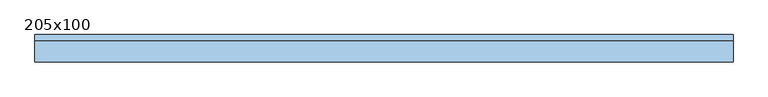
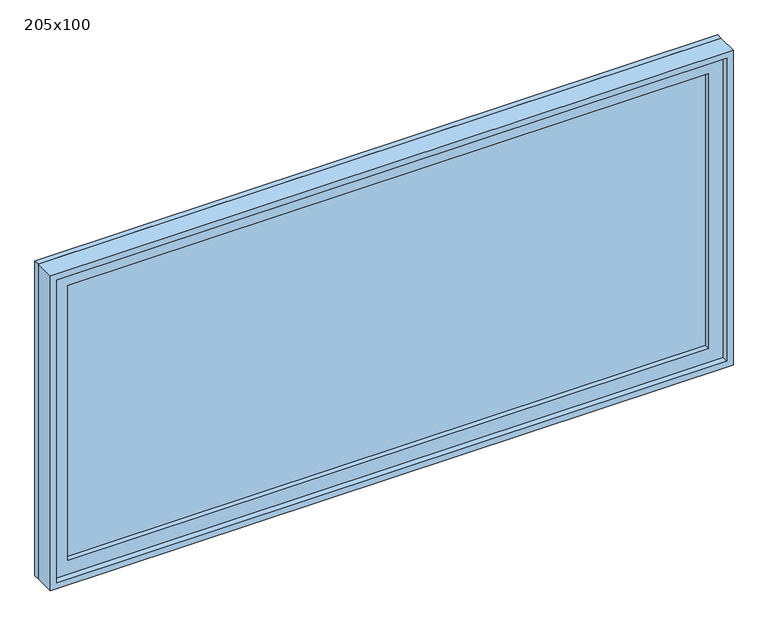
"""IFC4 building model written with IfcOpenShell, lengths in millimetres: window geometry, 205x100."""

from ifc_helpers import new_model, si_unit, frame, origin, place, context, project, spatial, polyline, outline, extrude, source, transform, mapped, element, save


def window_205x100_43503d93(model_context):
    return source(origin(), model_context, "Body", "SweptSolid", [
        extrude(outline(polyline([(923.4, 7.625), (923.4, -5.075), (-999.6, -5.075), (-999.6, 7.625), (923.4, 7.625)])), frame((0.0, 0.0, 977.9), z_axis=(0.0, 0.0, 1.0), x_axis=(1.0, 0.0, 0.0)), (0.0, 0.0, 1.0), 873.0),
        extrude(outline(polyline([(1895.35, -1044.05), (933.45, -1044.05), (933.45, 967.85), (1895.35, 967.85), (1895.35, -1044.05)]), holes=[polyline([(1850.9, -999.6), (1850.9, 923.4), (977.9, 923.4), (977.9, -999.6), (1850.9, -999.6)])]), frame((0.0, -20.95, 0.0), z_axis=(0.0, 1.0, 0.0), x_axis=(0.0, 0.0, 1.0)), (0.0, 0.0, 1.0), 44.45),
        extrude(outline(polyline([(1914.4, -1063.1), (914.4, -1063.1), (914.4, 986.9), (1914.4, 986.9), (1914.4, -1063.1)]), holes=[polyline([(1882.65, -1031.35), (1882.65, 955.15), (946.15, 955.15), (946.15, -1031.35), (1882.65, -1031.35)])]), frame((0.0, 23.5, 0.0), z_axis=(0.0, 1.0, 0.0), x_axis=(0.0, 0.0, 1.0)), (0.0, 0.0, 1.0), 16.5),
        extrude(outline(polyline([(1914.4, 986.9), (1914.4, -1063.1), (914.4, -1063.1), (914.4, 986.9), (1914.4, 986.9)]), holes=[polyline([(1895.35, 967.85), (933.45, 967.85), (933.45, -1044.05), (1895.35, -1044.05), (1895.35, 967.85)])]), frame((0.0, -40.0, 0.0), z_axis=(0.0, 1.0, 0.0), x_axis=(0.0, 0.0, 1.0)), (0.0, 0.0, 1.0), 63.5),
    ])


if __name__ == "__main__":
    model = new_model("IFC4")
    model_context = context("Model", 3, world=origin())
    ifc_project = project(units=[si_unit("LENGTHUNIT", "METRE", prefix="MILLI")], contexts=[model_context])
    site = spatial("IfcSite", under=ifc_project)
    building = spatial("IfcBuilding", under=site)
    placement = place(None, origin())
    window_205x100_shape = window_205x100_43503d93(model_context)
    element("IfcWindow", 1, ObjectType="205x100", at=placement, inside=building, context=model_context, shape_type="MappedRepresentation", body=[
        mapped(window_205x100_shape, transform((0.0, 0.0, 0.0), x_axis=(1.0, 0.0, 0.0), y_axis=(0.0, 1.0, 0.0), z_axis=(0.0, 0.0, 1.0))),
    ])
    save(model, "model.ifc")
